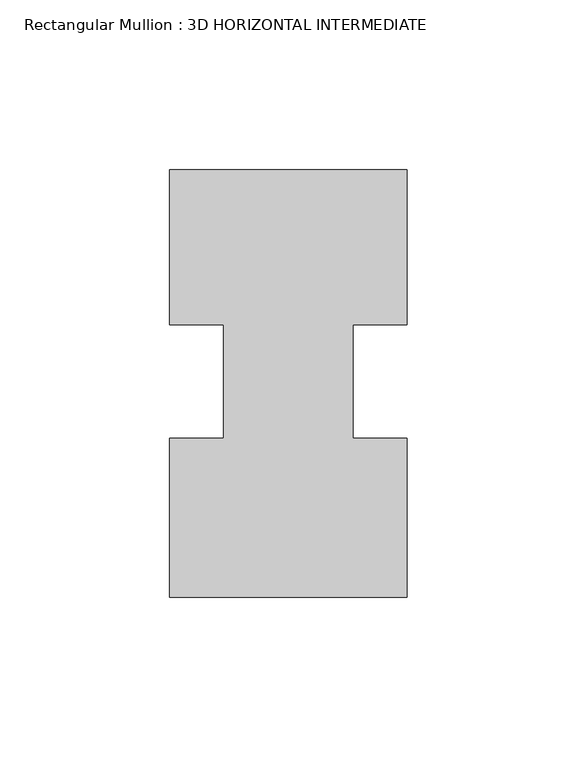
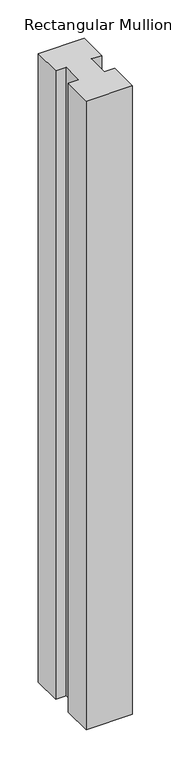
"""IFC4 building model written with IfcOpenShell, lengths in millimetres: member geometry, Rectangular Mullion : 3D HORIZONTAL INTERMEDIATE."""

from ifc_helpers import new_model, si_unit, frame, origin, place, context, project, spatial, polyline, outline, extrude, source, transform, mapped, element, save


def rectangular_mullion_3d_horizontal_intermediate_2a5c218b(model_context):
    return source(origin(), model_context, "Body", "SweptSolid", [
        extrude(outline(polyline([(-19.05, 16.678595), (-34.925, 16.678595), (-34.925, 62.251905), (34.925, 62.251905), (34.925, 16.678595), (19.05, 16.678595), (19.05, -16.678595), (34.925, -16.678595), (34.925, -63.528895), (-34.925, -63.528895), (-34.925, -16.6844264), (-19.05, -16.6844264), (-19.05, 16.678595)])), frame((0.0, 0.0, -1004.1144607), z_axis=(0.0, 0.0, 1.0), x_axis=(1.0, 0.0, 0.0)), (0.0, 0.0, 1.0), 1004.1144607),
    ])


if __name__ == "__main__":
    model = new_model("IFC4")
    model_context = context("Model", 3, world=origin())
    ifc_project = project(units=[si_unit("LENGTHUNIT", "METRE", prefix="MILLI")], contexts=[model_context])
    site = spatial("IfcSite", under=ifc_project)
    building = spatial("IfcBuilding", under=site)
    placement = place(None, origin())
    rectangular_mullion_3d_horizontal_intermediate_shape = rectangular_mullion_3d_horizontal_intermediate_2a5c218b(model_context)
    element("IfcMember", 1, ObjectType="Rectangular Mullion : 3D HORIZONTAL INTERMEDIATE", at=placement, inside=building, context=model_context, shape_type="MappedRepresentation", body=[
        mapped(rectangular_mullion_3d_horizontal_intermediate_shape, transform((0.0, 0.0, 0.0), x_axis=(1.0, 0.0, 0.0), y_axis=(0.0, 1.0, 0.0), z_axis=(0.0, 0.0, 1.0))),
    ])
    save(model, "model.ifc")
